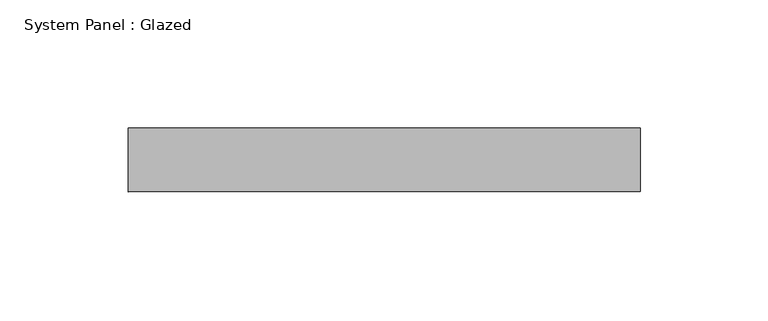
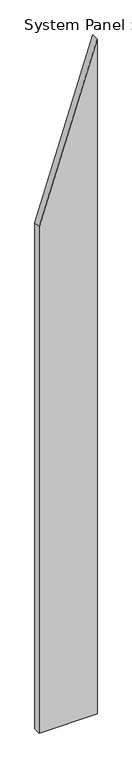
"""IFC4 building model written with IfcOpenShell, lengths in millimetres: plate geometry, System Panel : Glazed."""

from ifc_helpers import new_model, si_unit, frame, origin, place, context, project, spatial, polyline, outline, extrude, source, transform, mapped, element, save


def system_panel_glazed_a3adc608(model_context):
    return source(origin(), model_context, "Body", "SweptSolid", [
        extrude(outline(polyline([(0.0, -100.0), (0.0, 100.0), (2461.5384625, 100.0), (1846.1538471, -100.0), (0.0, -100.0)])), frame((0.0, 24.5, 0.0), z_axis=(0.0, 1.0, 0.0), x_axis=(0.0, 0.0, 1.0)), (0.0, 0.0, 1.0), 25.0),
    ])


if __name__ == "__main__":
    model = new_model("IFC4")
    model_context = context("Model", 3, world=origin())
    ifc_project = project(units=[si_unit("LENGTHUNIT", "METRE", prefix="MILLI")], contexts=[model_context])
    site = spatial("IfcSite", under=ifc_project)
    building = spatial("IfcBuilding", under=site)
    placement = place(None, origin())
    system_panel_glazed_shape = system_panel_glazed_a3adc608(model_context)
    element("IfcPlate", 1, ObjectType="System Panel : Glazed", at=placement, inside=building, context=model_context, shape_type="MappedRepresentation", body=[
        mapped(system_panel_glazed_shape, transform((0.0, 0.0, 0.0), x_axis=(1.0, 0.0, 0.0), y_axis=(0.0, 1.0, 0.0), z_axis=(0.0, 0.0, 1.0))),
    ])
    save(model, "model.ifc")
